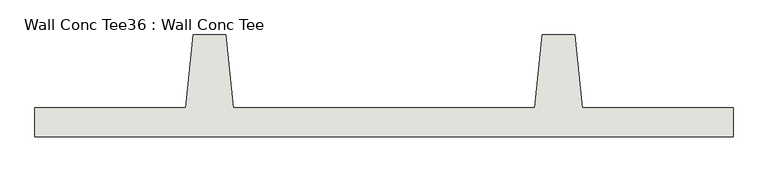
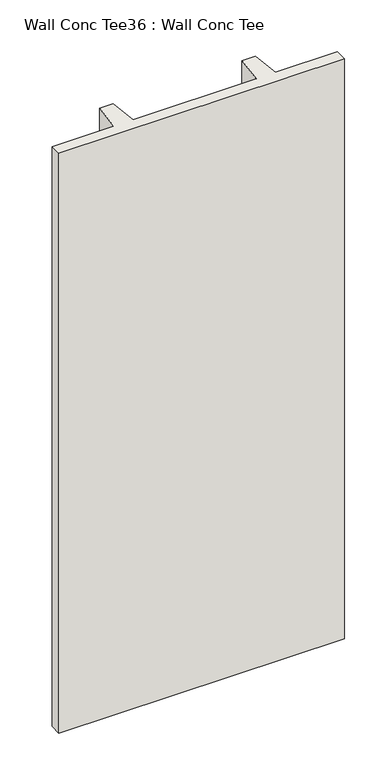
"""IFC4 building model written with IfcOpenShell, lengths in millimetres: wall geometry, Wall Conc Tee36 : Wall Conc Tee."""

from ifc_helpers import new_model, si_unit, frame, origin, place, context, project, spatial, polyline, outline, extrude, source, transform, mapped, element, save


def wall_conc_tee36_wall_conc_tee_77839a3e(model_context):
    return source(origin(), model_context, "Body", "SweptSolid", [
        extrude(outline(polyline([(222365.0728488, 180886.8596581), (219926.6728488, 180886.8596581), (219926.6728488, 180988.4596581), (220453.7228488, 180988.4596581), (220479.1228488, 181242.4596581), (220593.4228488, 181242.4596581), (220618.8228488, 180988.4596581), (221672.9228488, 180988.4596581), (221698.3228488, 181242.4596581), (221812.6228488, 181242.4596581), (221838.0228488, 180988.4596581), (222365.0728488, 180988.4596581), (222365.0728488, 180886.8596581)])), frame((0.0, 0.0, 143.7592564), z_axis=(0.0, 0.0, 1.0), x_axis=(1.0, 0.0, 0.0)), (0.0, 0.0, 1.0), 5232.4087123),
    ])


if __name__ == "__main__":
    model = new_model("IFC4")
    model_context = context("Model", 3, world=origin())
    ifc_project = project(units=[si_unit("LENGTHUNIT", "METRE", prefix="MILLI")], contexts=[model_context])
    site = spatial("IfcSite", under=ifc_project)
    building = spatial("IfcBuilding", under=site)
    placement = place(None, origin())
    wall_conc_tee36_wall_conc_tee_shape = wall_conc_tee36_wall_conc_tee_77839a3e(model_context)
    element("IfcWall", 1, ObjectType="Wall Conc Tee36 : Wall Conc Tee", at=placement, inside=building, context=model_context, shape_type="MappedRepresentation", body=[
        mapped(wall_conc_tee36_wall_conc_tee_shape, transform((0.0, 0.0, 0.0), x_axis=(1.0, 0.0, 0.0), y_axis=(0.0, 1.0, 0.0), z_axis=(0.0, 0.0, 1.0))),
    ])
    save(model, "model.ifc")
